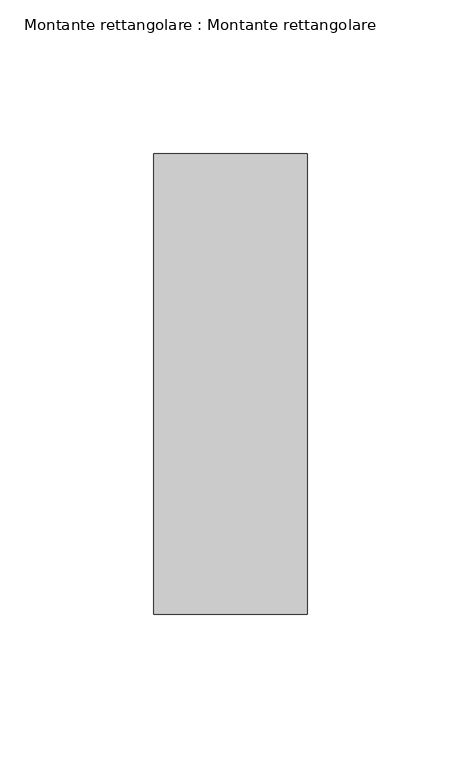
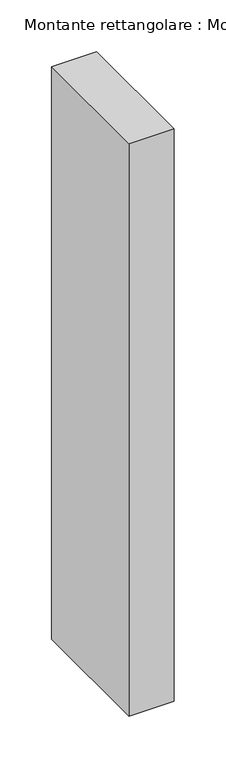
"""IFC4 building model written with IfcOpenShell, lengths in millimetres: member geometry, Montante rettangolare : Montante rettangolare."""

from ifc_helpers import new_model, si_unit, frame, origin, place, context, project, spatial, polyline, outline, extrude, source, transform, mapped, element, save


def montante_rettangolare_montante_rettangolare_dbb82e9e(model_context):
    return source(origin(), model_context, "Body", "SweptSolid", [
        extrude(outline(polyline([(0.0, 75.0), (0.0, -75.0), (-50.0, -75.0), (-50.0, 75.0), (0.0, 75.0)])), frame((0.0, 0.0, -675.0), z_axis=(0.0, 0.0, 1.0), x_axis=(1.0, 0.0, 0.0)), (0.0, 0.0, 1.0), 675.0),
    ])


if __name__ == "__main__":
    model = new_model("IFC4")
    model_context = context("Model", 3, world=origin())
    ifc_project = project(units=[si_unit("LENGTHUNIT", "METRE", prefix="MILLI")], contexts=[model_context])
    site = spatial("IfcSite", under=ifc_project)
    building = spatial("IfcBuilding", under=site)
    placement = place(None, origin())
    montante_rettangolare_montante_rettangolare_shape = montante_rettangolare_montante_rettangolare_dbb82e9e(model_context)
    element("IfcMember", 1, ObjectType="Montante rettangolare : Montante rettangolare", at=placement, inside=building, context=model_context, shape_type="MappedRepresentation", body=[
        mapped(montante_rettangolare_montante_rettangolare_shape, transform((0.0, 0.0, 0.0), x_axis=(1.0, 0.0, 0.0), y_axis=(0.0, 1.0, 0.0), z_axis=(0.0, 0.0, 1.0))),
    ])
    save(model, "model.ifc")
